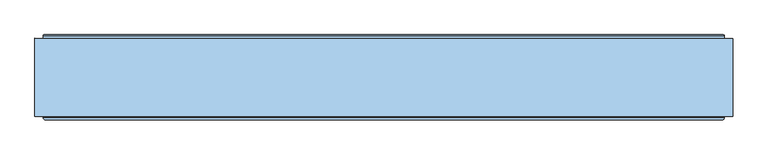
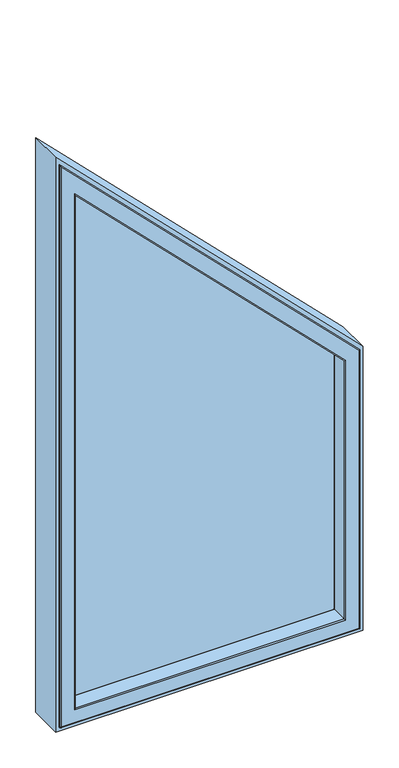
"""IFC4 building model written with IfcOpenShell, lengths in millimetres: window geometry."""

from ifc_helpers import new_model, si_unit, frame, origin, place, context, project, spatial, polyline, ellipse_curve, outline, extrude, source, transform, mapped, element, save
from ifc_brep_helpers import plane_surface, cylinder_surface, revolved_surface, advanced_brep


def window_0a2a3a51(model_context):
    return source(origin(), model_context, "Body", "SolidModel", [
        advanced_brep(
        [(-439.5, 91.0, 2629.9400795), (-438.0, 89.5, 2626.3187591), (-438.0, 89.5, 862.0), (-439.5, 91.0, 860.5), (-438.0, 35.0, 2626.3187591), (-438.0, 35.0, 862.0), (438.0, 89.5, 862.0), (439.5, 91.0, 860.5), (454.6498733, 91.0, 1757.2153624), (454.6498733, 91.0, 845.3501267), (-454.6498733, 91.0, 845.3501267), (-454.6498733, 91.0, 2666.515109), (439.5, 91.0, 1750.9400795), (-456.1386925, 92.317196, 2670.1094365), (-456.1386925, 92.317196, 843.8613075), (456.1386925, 92.317196, 843.8613075), (-462.2389738, 142.0, 2684.8368183), (-462.2389738, 142.0, 837.7610262), (462.2389738, 142.0, 837.7610262), (462.2389738, 142.0, 1760.3588708), (438.0131086, 142.0, 1750.3241889), (438.0131086, 142.0, 861.9868914), (-438.0131086, 142.0, 861.9868914), (-438.0131086, 142.0, 2626.350406), (-463.6, 153.0, 2688.1226263), (-463.6, 151.5, 2688.1226263), (-463.6, 151.5, 836.4), (-463.6, 153.0, 836.4), (463.6, 151.5, 1760.9226263), (463.6, 151.5, 836.4), (-459.2213134, 151.5, 2677.5515417), (-459.2213134, 151.5, 840.7786866), (459.2213134, 151.5, 840.7786866), (459.2213134, 151.5, 1759.108915), (463.6, 153.0, 836.4), (-464.6, 154.0, 2690.5368399), (-464.6, 154.0, 835.4), (464.6, 154.0, 835.4), (487.0, 154.0, 1770.6152237), (487.0, 154.0, 813.0), (-487.0, 154.0, 813.0), (-487.0, 154.0, 2744.6152237), (464.6, 154.0, 1761.3368399), (-488.0, 153.0, 2747.0294373), (-488.0, 153.0, 812.0), (488.0, 153.0, 812.0), (-488.0, 35.0, 2747.0294373), (-488.0, 35.0, 812.0), (488.0, 35.0, 812.0), (-485.0, 32.0, 2739.7867966), (-485.0, 32.0, 815.0), (485.0, 32.0, 815.0), (485.0, 32.0, 1769.7867966), (441.0, 32.0, 1751.5613998), (441.0, 32.0, 859.0), (-441.0, 32.0, 859.0), (-441.0, 32.0, 2633.5613998), (438.0, 35.0, 862.0), (438.0, 89.5, 1750.3187591), (456.1386925, 92.317196, 1757.8320516), (463.6, 153.0, 1760.9226263), (488.0, 153.0, 1771.0294373), (488.0, 35.0, 1771.0294373), (438.0, 35.0, 1750.3187591), (-438.0131086, 143.3877115, 2626.350406), (-438.0131086, 143.3877115, 861.9868914), (438.0131086, 143.3877115, 861.9868914), (-441.1047454, 153.5, 2633.8142776), (-441.1047454, 153.5, 858.8952546), (441.1047454, 153.5, 858.8952546), (458.2213134, 153.5, 1758.6947014), (458.2213134, 153.5, 841.7786866), (-458.2213134, 153.5, 841.7786866), (-458.2213134, 153.5, 2675.1373282), (441.1047454, 153.5, 1751.6047868), (-459.2213134, 152.5, 2677.5515417), (-459.2213134, 152.5, 840.7786866), (459.2213134, 152.5, 840.7786866), (438.0131086, 143.3877115, 1750.3241889), (459.2213134, 152.5, 1759.108915)],
        [
            (0, 1, ellipse_curve(frame((-439.5, 89.5, 2629.9400795), z_axis=(-0.9238795325112872, 0.0, -0.3826834323650887), x_axis=(-0.38268343236508867, 0.0, 0.9238795325112872)), 3.9196889, 1.5)),
            (1, 2),
            (2, 3, ellipse_curve(frame((-439.5, 89.5, 860.5), z_axis=(-0.7071067811865476, 0.0, 0.7071067811865475), x_axis=(0.7071067811865475, 0.0, 0.7071067811865475)), 2.1213203, 1.5)),
            (3, 0),
            (1, 4),
            (4, 5),
            (5, 2),
            (2, 6),
            (6, 7, ellipse_curve(frame((439.5, 89.5, 860.5), z_axis=(-0.7071067811865475, 0.0, -0.7071067811865476), x_axis=(-0.7071067811865475, 0.0, 0.7071067811865475)), 2.1213203, 1.5)),
            (7, 3),
            (8, 9),
            (9, 10),
            (10, 11),
            (11, 8),
            (7, 12),
            (12, 0),
            (13, 11, ellipse_curve(frame((-454.6498733, 92.5, 2666.515109), z_axis=(0.9238795325112872, 0.0, 0.3826834323650887), x_axis=(0.38268343236508867, 0.0, -0.9238795325112872)), 3.9196889, 1.5)),
            (10, 14, ellipse_curve(frame((-454.6498733, 92.5, 845.3501267), z_axis=(0.7071067811865476, 0.0, -0.7071067811865475), x_axis=(-0.7071067811865475, 0.0, -0.7071067811865475)), 2.1213203, 1.5)),
            (14, 13),
            (9, 15, ellipse_curve(frame((454.6498733, 92.5, 845.3501267), z_axis=(0.7071067811865475, 0.0, 0.7071067811865476), x_axis=(0.7071067811865475, 0.0, -0.7071067811865475)), 2.1213203, 1.5)),
            (15, 14),
            (16, 13),
            (14, 17),
            (17, 16),
            (15, 18),
            (18, 17),
            (18, 19),
            (19, 16),
            (20, 21),
            (21, 22),
            (22, 23),
            (23, 20),
            (24, 25),
            (25, 26),
            (26, 27),
            (27, 24),
            (28, 29),
            (29, 26),
            (25, 28),
            (30, 31),
            (31, 32),
            (32, 33),
            (33, 30),
            (29, 34),
            (34, 27),
            (35, 24, ellipse_curve(frame((-464.6, 153.0, 2690.5368399), z_axis=(-0.9238795325112872, 0.0, -0.3826834323650887), x_axis=(-0.38268343236508867, 0.0, 0.9238795325112872)), 2.6131259, 1.0)),
            (27, 36, ellipse_curve(frame((-464.6, 153.0, 835.4), z_axis=(-0.7071067811865476, 0.0, 0.7071067811865475), x_axis=(0.7071067811865475, 0.0, 0.7071067811865475)), 1.4142136, 1.0)),
            (36, 35),
            (34, 37, ellipse_curve(frame((464.6, 153.0, 835.4), z_axis=(-0.7071067811865475, 0.0, -0.7071067811865476), x_axis=(-0.7071067811865475, 0.0, 0.7071067811865475)), 1.4142136, 1.0)),
            (37, 36),
            (38, 39),
            (39, 40),
            (40, 41),
            (41, 38),
            (37, 42),
            (42, 35),
            (43, 41, ellipse_curve(frame((-487.0, 153.0, 2744.6152237), z_axis=(-0.9238795325112872, 0.0, -0.3826834323650887), x_axis=(-0.38268343236508867, 0.0, 0.9238795325112872)), 2.6131259, 1.0)),
            (40, 44, ellipse_curve(frame((-487.0, 153.0, 813.0), z_axis=(-0.7071067811865476, 0.0, 0.7071067811865475), x_axis=(0.7071067811865475, 0.0, 0.7071067811865475)), 1.4142136, 1.0)),
            (44, 43),
            (39, 45, ellipse_curve(frame((487.0, 153.0, 813.0), z_axis=(-0.7071067811865475, 0.0, -0.7071067811865476), x_axis=(-0.7071067811865475, 0.0, 0.7071067811865475)), 1.4142136, 1.0)),
            (45, 44),
            (46, 43),
            (44, 47),
            (47, 46),
            (45, 48),
            (48, 47),
            (49, 46, ellipse_curve(frame((-485.0, 35.0, 2739.7867966), z_axis=(-0.9238795325112872, 0.0, -0.3826834323650887), x_axis=(-0.38268343236508867, 0.0, 0.9238795325112872)), 7.8393778, 3.0)),
            (47, 50, ellipse_curve(frame((-485.0, 35.0, 815.0), z_axis=(-0.7071067811865476, 0.0, 0.7071067811865475), x_axis=(0.7071067811865475, 0.0, 0.7071067811865475)), 4.2426407, 3.0)),
            (50, 49),
            (48, 51, ellipse_curve(frame((485.0, 35.0, 815.0), z_axis=(-0.7071067811865475, 0.0, -0.7071067811865476), x_axis=(-0.7071067811865475, 0.0, 0.7071067811865475)), 4.2426407, 3.0)),
            (51, 50),
            (51, 52),
            (52, 49),
            (53, 54),
            (54, 55),
            (55, 56),
            (56, 53),
            (4, 56, ellipse_curve(frame((-441.0, 35.0, 2633.5613998), z_axis=(-0.9238795325112872, 0.0, -0.3826834323650887), x_axis=(-0.38268343236508867, 0.0, 0.9238795325112872)), 7.8393778, 3.0)),
            (55, 5, ellipse_curve(frame((-441.0, 35.0, 859.0), z_axis=(-0.7071067811865476, 0.0, 0.7071067811865475), x_axis=(0.7071067811865475, 0.0, 0.7071067811865475)), 4.2426407, 3.0)),
            (54, 57, ellipse_curve(frame((441.0, 35.0, 859.0), z_axis=(-0.7071067811865475, 0.0, -0.7071067811865476), x_axis=(-0.7071067811865475, 0.0, 0.7071067811865475)), 4.2426407, 3.0)),
            (57, 5),
            (57, 6),
            (6, 58),
            (58, 12, ellipse_curve(frame((439.5, 89.5, 1750.9400795), z_axis=(0.3826834323650888, 0.0, -0.9238795325112872), x_axis=(-0.9238795325112872, 0.0, -0.38268343236508895)), 1.6235883, 1.5)),
            (8, 59, ellipse_curve(frame((454.6498733, 92.5, 1757.2153624), z_axis=(-0.3826834323650888, 0.0, 0.9238795325112872), x_axis=(0.9238795325112872, 0.0, 0.38268343236508895)), 1.6235883, 1.5)),
            (59, 15),
            (59, 19),
            (28, 60),
            (60, 34),
            (60, 42, ellipse_curve(frame((464.6, 153.0, 1761.3368399), z_axis=(0.3826834323650888, 0.0, -0.9238795325112872), x_axis=(-0.9238795325112872, 0.0, -0.38268343236508895)), 1.0823922, 1.0)),
            (38, 61, ellipse_curve(frame((487.0, 153.0, 1770.6152237), z_axis=(0.3826834323650888, 0.0, -0.9238795325112872), x_axis=(-0.9238795325112872, 0.0, -0.38268343236508895)), 1.0823922, 1.0)),
            (61, 45),
            (61, 62),
            (62, 48),
            (62, 52, ellipse_curve(frame((485.0, 35.0, 1769.7867966), z_axis=(0.3826834323650888, 0.0, -0.9238795325112872), x_axis=(-0.9238795325112872, 0.0, -0.38268343236508895)), 3.2471766, 3.0)),
            (53, 63, ellipse_curve(frame((441.0, 35.0, 1751.5613998), z_axis=(0.3826834323650888, 0.0, -0.9238795325112872), x_axis=(-0.9238795325112872, 0.0, -0.38268343236508895)), 3.2471766, 3.0)),
            (63, 57),
            (63, 58),
            (64, 23),
            (22, 65),
            (65, 64),
            (21, 66),
            (66, 65),
            (67, 64),
            (65, 68),
            (68, 67),
            (66, 69),
            (69, 68),
            (70, 71),
            (71, 72),
            (72, 73),
            (73, 70),
            (69, 74),
            (74, 67),
            (75, 73, ellipse_curve(frame((-458.2213134, 152.5, 2675.1373282), z_axis=(-0.9238795325112872, 0.0, -0.3826834323650887), x_axis=(-0.38268343236508867, 0.0, 0.9238795325112872)), 2.6131259, 1.0)),
            (72, 76, ellipse_curve(frame((-458.2213134, 152.5, 841.7786866), z_axis=(-0.7071067811865476, 0.0, 0.7071067811865475), x_axis=(0.7071067811865475, 0.0, 0.7071067811865475)), 1.4142136, 1.0)),
            (76, 75),
            (71, 77, ellipse_curve(frame((458.2213134, 152.5, 841.7786866), z_axis=(-0.7071067811865475, 0.0, -0.7071067811865476), x_axis=(-0.7071067811865475, 0.0, 0.7071067811865475)), 1.4142136, 1.0)),
            (77, 76),
            (30, 75),
            (76, 31),
            (77, 32),
            (20, 78),
            (78, 66),
            (78, 74),
            (70, 79, ellipse_curve(frame((458.2213134, 152.5, 1758.6947014), z_axis=(0.3826834323650888, 0.0, -0.9238795325112872), x_axis=(-0.9238795325112872, 0.0, -0.38268343236508895)), 1.0823922, 1.0)),
            (79, 77),
            (79, 33),
            (58, 1),
            (13, 59),
            (24, 60),
            (43, 61),
            (46, 62),
            (4, 63),
            (64, 78),
            (75, 79),
        ],
        [
            cylinder_surface(frame((-439.5, 89.5, 2776.0), z_axis=(0.0, 0.0, 1.0), x_axis=(0.0, 1.0, 0.0)), 1.5),
            plane_surface(frame((-438.0, 35.0, 2626.3187591), z_axis=(1.0, 0.0, 0.0), x_axis=(0.0, 0.0, -1.0))),
            cylinder_surface(frame((-500.0, 89.5, 860.5), z_axis=(-1.0, 0.0, 0.0), x_axis=(0.0, 1.0, 0.0)), 1.5),
            plane_surface(frame((439.5, 91.0, 860.5), z_axis=(0.0, 1.0, 0.0), x_axis=(0.0, 0.0, 1.0))),
            revolved_surface(polyline([(-454.6498733, 94.0, 843.8501267308015), (-454.6498733, 94.0, 2670.1364293485217)]), (-454.6498733, 92.5, 2776.0), (0.0, 0.0, -1.0)),
            revolved_surface(polyline([(456.1498732691988, 94.0, 845.3501267), (-456.1498732691987, 94.0, 845.3501267)]), (-500.0, 92.5, 845.3501267), (1.0, 0.0, 0.0)),
            plane_surface(frame((-456.1386925, 92.317196, 2670.1094365), z_axis=(0.9925461516413233, 0.12186934340513755, 0.0), x_axis=(0.0, 0.0, -1.0))),
            plane_surface(frame((-456.1386925, 92.317196, 843.8613075), z_axis=(0.0, 0.12186934340513755, 0.9925461516413233), x_axis=(1.0, 0.0, 0.0))),
            plane_surface(frame((462.2389738, 142.0, 837.7610262), z_axis=(0.0, -1.0, 0.0), x_axis=(0.0, 0.0, 1.0))),
            plane_surface(frame((-463.6, 151.5, 2688.1226263), z_axis=(1.0, 0.0, 0.0), x_axis=(0.0, 0.0, -1.0))),
            plane_surface(frame((459.2213134, 151.5, 840.7786866), z_axis=(0.0, 1.0, 0.0), x_axis=(0.0, 0.0, 1.0))),
            plane_surface(frame((-463.6, 151.5, 836.4), z_axis=(0.0, 0.0, 1.0), x_axis=(1.0, 0.0, 0.0))),
            cylinder_surface(frame((-464.6, 153.0, 2776.0), z_axis=(0.0, 0.0, 1.0), x_axis=(0.0, 1.0, 0.0)), 1.0),
            cylinder_surface(frame((-500.0, 153.0, 835.4), z_axis=(-1.0, 0.0, 0.0), x_axis=(0.0, 1.0, 0.0)), 1.0),
            plane_surface(frame((464.6, 154.0, 835.4), z_axis=(0.0, 1.0, 0.0), x_axis=(0.0, 0.0, 1.0))),
            cylinder_surface(frame((-487.0, 153.0, 2776.0), z_axis=(0.0, 0.0, 1.0), x_axis=(0.0, 1.0, 0.0)), 1.0),
            cylinder_surface(frame((-500.0, 153.0, 813.0), z_axis=(-1.0, 0.0, 0.0), x_axis=(0.0, 1.0, 0.0)), 1.0),
            plane_surface(frame((-488.0, 153.0, 2747.0294373), z_axis=(-1.0, 0.0, 0.0), x_axis=(0.0, 0.0, -1.0))),
            plane_surface(frame((-488.0, 153.0, 812.0), z_axis=(0.0, 0.0, -1.0), x_axis=(1.0, 0.0, 0.0))),
            cylinder_surface(frame((-485.0, 35.0, 2776.0), z_axis=(0.0, 0.0, 1.0), x_axis=(0.0, 1.0, 0.0)), 3.0),
            cylinder_surface(frame((-500.0, 35.0, 815.0), z_axis=(-1.0, 0.0, 0.0), x_axis=(0.0, 1.0, 0.0)), 3.0),
            plane_surface(frame((485.0, 32.0, 815.0), z_axis=(0.0, -1.0, 0.0), x_axis=(0.0, 0.0, 1.0))),
            cylinder_surface(frame((-441.0, 35.0, 2776.0), z_axis=(0.0, 0.0, 1.0), x_axis=(0.0, 1.0, 0.0)), 3.0),
            cylinder_surface(frame((-500.0, 35.0, 859.0), z_axis=(-1.0, 0.0, 0.0), x_axis=(0.0, 1.0, 0.0)), 3.0),
            plane_surface(frame((-438.0, 35.0, 862.0), z_axis=(0.0, 0.0, 1.0), x_axis=(1.0, 0.0, 0.0))),
            cylinder_surface(frame((439.5, 89.5, 800.0), z_axis=(0.0, 0.0, -1.0), x_axis=(0.0, 1.0, 0.0)), 1.5),
            revolved_surface(polyline([(454.6498733, 94.0, 1757.8366827433917), (454.6498733, 94.0, 843.8501267308013)]), (454.6498733, 92.5, 800.0), (0.0, 0.0, 1.0)),
            plane_surface(frame((456.1386925, 92.317196, 843.8613075), z_axis=(-0.9925461516413233, 0.12186934340513755, 0.0), x_axis=(0.0, 0.0, 1.0))),
            plane_surface(frame((463.6, 151.5, 836.4), z_axis=(-1.0, 0.0, 0.0), x_axis=(0.0, 0.0, 1.0))),
            cylinder_surface(frame((464.6, 153.0, 800.0), z_axis=(0.0, 0.0, -1.0), x_axis=(0.0, 1.0, 0.0)), 1.0),
            cylinder_surface(frame((487.0, 153.0, 800.0), z_axis=(0.0, 0.0, -1.0), x_axis=(0.0, 1.0, 0.0)), 1.0),
            plane_surface(frame((488.0, 153.0, 812.0), z_axis=(1.0, 0.0, 0.0), x_axis=(0.0, 0.0, 1.0))),
            cylinder_surface(frame((485.0, 35.0, 800.0), z_axis=(0.0, 0.0, -1.0), x_axis=(0.0, 1.0, 0.0)), 3.0),
            cylinder_surface(frame((441.0, 35.0, 800.0), z_axis=(0.0, 0.0, -1.0), x_axis=(0.0, 1.0, 0.0)), 3.0),
            plane_surface(frame((438.0, 35.0, 862.0), z_axis=(-1.0, 0.0, 0.0), x_axis=(0.0, 0.0, 1.0))),
            plane_surface(frame((-438.0131086, 142.0, 2626.350406), z_axis=(1.0, 0.0, 0.0), x_axis=(0.0, 0.0, -1.0))),
            plane_surface(frame((-438.0131086, 142.0, 861.9868914), z_axis=(0.0, 0.0, 1.0), x_axis=(1.0, 0.0, 0.0))),
            plane_surface(frame((-438.0131086, 143.3877115, 2626.350406), z_axis=(0.9563047559630355, 0.2923717047227366, 0.0), x_axis=(0.0, 0.0, -1.0))),
            plane_surface(frame((-438.0131086, 143.3877115, 861.9868914), z_axis=(0.0, 0.2923717047227366, 0.9563047559630355), x_axis=(1.0, 0.0, 0.0))),
            plane_surface(frame((441.1047454, 153.5, 858.8952546), z_axis=(0.0, 1.0, 0.0), x_axis=(0.0, 0.0, 1.0))),
            cylinder_surface(frame((-458.2213134, 152.5, 2776.0), z_axis=(0.0, 0.0, 1.0), x_axis=(0.0, 1.0, 0.0)), 1.0),
            cylinder_surface(frame((-500.0, 152.5, 841.7786866), z_axis=(-1.0, 0.0, 0.0), x_axis=(0.0, 1.0, 0.0)), 1.0),
            plane_surface(frame((-459.2213134, 152.5, 2677.5515417), z_axis=(-1.0, 0.0, 0.0), x_axis=(0.0, 0.0, -1.0))),
            plane_surface(frame((-459.2213134, 152.5, 840.7786866), z_axis=(0.0, 0.0, -1.0), x_axis=(1.0, 0.0, 0.0))),
            plane_surface(frame((438.0131086, 142.0, 861.9868914), z_axis=(-1.0, 0.0, 0.0), x_axis=(0.0, 0.0, 1.0))),
            plane_surface(frame((438.0131086, 143.3877115, 861.9868914), z_axis=(-0.9563047559630355, 0.2923717047227366, 0.0), x_axis=(0.0, 0.0, 1.0))),
            cylinder_surface(frame((458.2213134, 152.5, 800.0), z_axis=(0.0, 0.0, -1.0), x_axis=(0.0, 1.0, 0.0)), 1.0),
            plane_surface(frame((459.2213134, 152.5, 840.7786866), z_axis=(1.0, 0.0, 0.0), x_axis=(0.0, 0.0, 1.0))),
            cylinder_surface(frame((457.2200397, 89.5, 1733.2200397), z_axis=(0.707106781186546, 0.0, -0.7071067811865491), x_axis=(0.0, 1.0, 0.0)), 1.5),
            revolved_surface(polyline([(-457.21053342528654, 94.0, 2669.0757692252905), (455.08921317810155, 94.0, 1756.7760226218986)]), (467.9326179, 92.5, 1743.9326179), (-0.707106781186546, 0.0, 0.7071067811865491)),
            plane_surface(frame((456.1386925, 92.317196, 1757.8320516), z_axis=(-0.7018361144661928, 0.12186934340513761, -0.7018361144661895), x_axis=(-0.7071067811865459, 0.0, 0.7071067811865492))),
            plane_surface(frame((463.6, 151.5, 1760.9226263), z_axis=(-0.7071067811865491, 0.0, -0.7071067811865459), x_axis=(-0.7071067811865459, 0.0, 0.7071067811865491))),
            cylinder_surface(frame((474.9684199, 153.0, 1750.9684199), z_axis=(0.707106781186546, 0.0, -0.7071067811865491), x_axis=(0.0, 1.0, 0.0)), 1.0),
            cylinder_surface(frame((490.8076118, 153.0, 1766.8076118), z_axis=(0.707106781186546, 0.0, -0.7071067811865491), x_axis=(0.0, 1.0, 0.0)), 1.0),
            plane_surface(frame((488.0, 153.0, 1771.0294373), z_axis=(0.7071067811865492, 0.0, 0.7071067811865459), x_axis=(-0.7071067811865459, 0.0, 0.7071067811865492))),
            cylinder_surface(frame((489.3933983, 35.0, 1765.3933983), z_axis=(0.707106781186546, 0.0, -0.7071067811865491), x_axis=(0.0, 1.0, 0.0)), 3.0),
            cylinder_surface(frame((458.2806999, 35.0, 1734.2806999), z_axis=(0.707106781186546, 0.0, -0.7071067811865491), x_axis=(0.0, 1.0, 0.0)), 3.0),
            plane_surface(frame((438.0, 35.0, 1750.3187591), z_axis=(-0.7071067811865492, 0.0, -0.7071067811865459), x_axis=(-0.7071067811865459, 0.0, 0.7071067811865492))),
            plane_surface(frame((438.0131086, 142.0, 1750.3241889), z_axis=(-0.7071067811865491, 0.0, -0.7071067811865459), x_axis=(-0.7071067811865459, 0.0, 0.7071067811865491))),
            plane_surface(frame((438.0131086, 143.3877115, 1750.3241889), z_axis=(-0.6762095778224105, 0.2923717047227367, -0.6762095778224075), x_axis=(-0.707106781186546, 0.0, 0.7071067811865491))),
            cylinder_surface(frame((470.4580074, 152.5, 1746.4580074), z_axis=(0.707106781186546, 0.0, -0.7071067811865491), x_axis=(0.0, 1.0, 0.0)), 1.0),
            plane_surface(frame((459.2213134, 152.5, 1759.108915), z_axis=(0.7071067811865492, 0.0, 0.7071067811865459), x_axis=(-0.7071067811865459, 0.0, 0.7071067811865492))),
        ],
        [
            (0, [[1, 2, 3, 4]]),
            (1, [[5, 6, 7, -2]]),
            (2, [[-3, 8, 9, 10]]),
            (3, [[11, 12, 13, 14], [-4, -10, 15, 16]]),
            (4, [[17, -13, 18, 19]]),
            (5, [[-18, -12, 20, 21]]),
            (6, [[22, -19, 23, 24]]),
            (7, [[-23, -21, 25, 26]]),
            (8, [[-24, -26, 27, 28], [29, 30, 31, 32]]),
            (9, [[33, 34, 35, 36]]),
            (10, [[37, 38, -34, 39], [40, 41, 42, 43]]),
            (11, [[-35, -38, 44, 45]]),
            (12, [[46, -36, 47, 48]]),
            (13, [[-47, -45, 49, 50]]),
            (14, [[51, 52, 53, 54], [-48, -50, 55, 56]]),
            (15, [[57, -53, 58, 59]]),
            (16, [[-58, -52, 60, 61]]),
            (17, [[62, -59, 63, 64]]),
            (18, [[-63, -61, 65, 66]]),
            (19, [[67, -64, 68, 69]]),
            (20, [[-68, -66, 70, 71]]),
            (21, [[-69, -71, 72, 73], [74, 75, 76, 77]]),
            (22, [[78, -76, 79, -6]]),
            (23, [[-79, -75, 80, 81]]),
            (24, [[-7, -81, 82, -8]]),
            (25, [[-9, 83, 84, -15]]),
            (26, [[-20, -11, 85, 86]]),
            (27, [[-25, -86, 87, -27]]),
            (28, [[-44, -37, 88, 89]]),
            (29, [[-49, -89, 90, -55]]),
            (30, [[-60, -51, 91, 92]]),
            (31, [[-65, -92, 93, 94]]),
            (32, [[-70, -94, 95, -72]]),
            (33, [[-80, -74, 96, 97]]),
            (34, [[-82, -97, 98, -83]]),
            (35, [[99, -31, 100, 101]]),
            (36, [[-100, -30, 102, 103]]),
            (37, [[104, -101, 105, 106]]),
            (38, [[-105, -103, 107, 108]]),
            (39, [[109, 110, 111, 112], [-106, -108, 113, 114]]),
            (40, [[115, -111, 116, 117]]),
            (41, [[-116, -110, 118, 119]]),
            (42, [[120, -117, 121, -40]]),
            (43, [[-121, -119, 122, -41]]),
            (44, [[-102, -29, 123, 124]]),
            (45, [[-107, -124, 125, -113]]),
            (46, [[-118, -109, 126, 127]]),
            (47, [[-122, -127, 128, -42]]),
            (48, [[-84, 129, -1, -16]]),
            (49, [[-85, -14, -17, 130]]),
            (50, [[-87, -130, -22, -28]]),
            (51, [[-88, -39, -33, 131]]),
            (52, [[-90, -131, -46, -56]]),
            (53, [[-91, -54, -57, 132]]),
            (54, [[-93, -132, -62, 133]]),
            (55, [[-95, -133, -67, -73]]),
            (56, [[-96, -77, -78, 134]]),
            (57, [[-98, -134, -5, -129]]),
            (58, [[-123, -32, -99, 135]]),
            (59, [[-125, -135, -104, -114]]),
            (60, [[-126, -112, -115, 136]]),
            (61, [[-128, -136, -120, -43]]),
        ],
    ),
        extrude(outline(polyline([(2776.0, -500.0), (800.0, -500.0), (800.0, 500.0), (1776.0, 500.0), (2776.0, -500.0)]), holes=[polyline([(1771.0294373, 488.0), (812.0, 488.0), (812.0, -488.0), (2747.0294373, -488.0), (1771.0294373, 488.0)])]), frame((0.0, 37.0, 0.0), z_axis=(0.0, 1.0, 0.0), x_axis=(0.0, 0.0, 1.0)), (0.0, 0.0, 1.0), 112.0),
        extrude(outline(polyline([(1735.940335, 452.0), (2718.4857896, -452.0), (848.0, -452.0), (848.0, 452.0), (1735.940335, 452.0)])), frame((0.0, 94.0, 0.0), z_axis=(0.0, 1.0, 0.0), x_axis=(0.0, 0.0, 1.0)), (0.0, 0.0, 1.0), 48.0),
    ])


if __name__ == "__main__":
    model = new_model("IFC4")
    model_context = context("Model", 3, world=origin())
    ifc_project = project(units=[si_unit("LENGTHUNIT", "METRE", prefix="MILLI")], contexts=[model_context])
    site = spatial("IfcSite", under=ifc_project)
    building = spatial("IfcBuilding", under=site)
    placement = place(None, origin())
    window_shape = window_0a2a3a51(model_context)
    element("IfcWindow", 1, at=placement, inside=building, context=model_context, shape_type="MappedRepresentation", body=[
        mapped(window_shape, transform((0.0, 0.0, 0.0), x_axis=(1.0, 0.0, 0.0), y_axis=(0.0, 1.0, 0.0), z_axis=(0.0, 0.0, 1.0))),
    ])
    save(model, "model.ifc")
